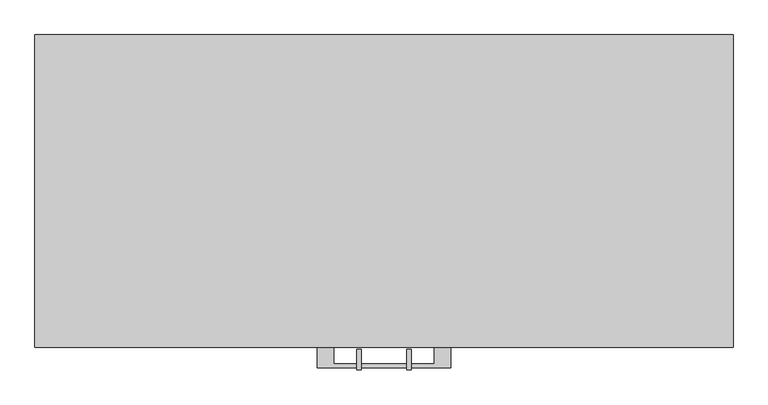
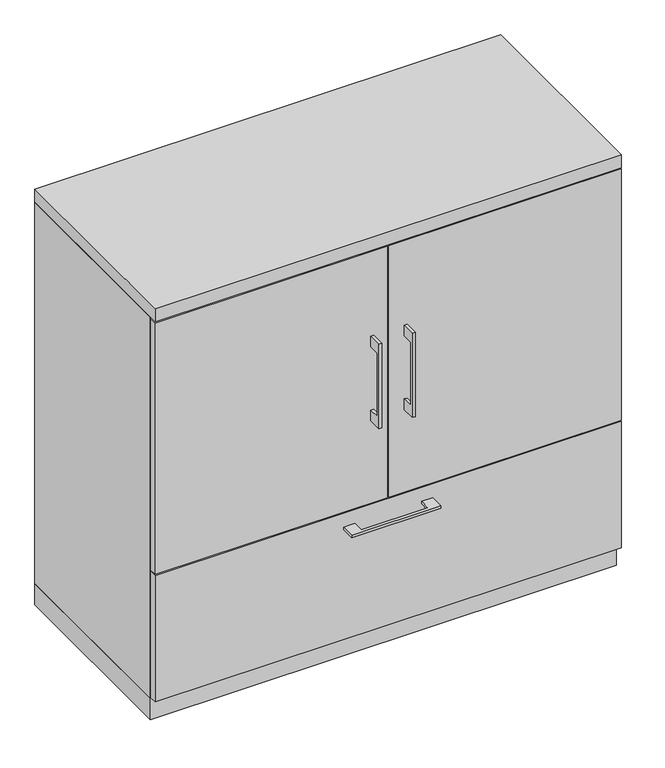
"""IFC4 building model written with IfcOpenShell, lengths in millimetres: furniture geometry."""

from ifc_helpers import new_model, si_unit, frame, origin, origin_with_axes, place, context, project, spatial, polyline, outline, extrude, source, transform, mapped, element, save


def furniture_b6af327d(model_context):
    return source(origin(), model_context, "Body", "SweptSolid", [
        extrude(outline(polyline([(-479.425, 741.3625), (-504.8249758, 741.3625), (-504.8249758, 588.9625), (-479.425, 588.9625), (-479.425, 563.5625), (-511.1749879, 563.5625), (-511.1749879, 766.7625), (-479.425, 766.7625), (-479.425, 741.3625)])), frame((-41.2749879, 0.0, 0.0), z_axis=(1.0, 0.0, 0.0), x_axis=(0.0, 1.0, 0.0)), (0.0, 0.0, 1.0), 6.3499758),
        extrude(outline(polyline([(-531.8125, -476.25), (-531.8125, -457.2), (-1.5875, -457.2), (-1.5875, -476.25), (-531.8125, -476.25)])), frame((0.0, 0.0, 361.95), z_axis=(0.0, 0.0, 1.0), x_axis=(1.0, 0.0, 0.0)), (0.0, 0.0, 1.0), 606.425),
        extrude(outline(polyline([(-479.425, 741.3625), (-504.8249758, 741.3625), (-504.8249758, 588.9625), (-479.425, 588.9625), (-479.425, 563.5625), (-511.1749879, 563.5625), (-511.1749879, 766.7625), (-479.425, 766.7625), (-479.425, 741.3625)])), frame((34.9250121, 0.0, 0.0), z_axis=(1.0, 0.0, 0.0), x_axis=(0.0, 1.0, 0.0)), (0.0, 0.0, 1.0), 6.3499758),
        extrude(outline(polyline([(531.8125, -476.25), (1.5875, -476.25), (1.5875, -457.2), (531.8125, -457.2), (531.8125, -476.25)])), frame((0.0, 0.0, 361.95), z_axis=(0.0, 0.0, 1.0), x_axis=(1.0, 0.0, 0.0)), (0.0, 0.0, 1.0), 606.425),
        extrude(outline(polyline([(512.7625, -19.05), (512.7625, -457.2), (-512.7625, -457.2), (-512.7625, -19.05), (512.7625, -19.05)])), frame((0.0, 0.0, 657.225), z_axis=(0.0, 0.0, 1.0), x_axis=(1.0, 0.0, 0.0)), (0.0, 0.0, 1.0), 19.05),
        extrude(outline(polyline([(-76.1999818, -476.25), (-76.1999818, -501.6499758), (76.2, -501.6499758), (76.2, -476.25), (101.5999939, -476.25), (101.5999939, -507.9999879), (-101.5999939, -507.9999879), (-101.5999939, -476.25), (-76.1999818, -476.25)])), frame((0.0, 0.0, 319.0875506), z_axis=(0.0, 0.0, 1.0), x_axis=(1.0, 0.0, 0.0)), (0.0, 0.0, 1.0), 6.3499758),
        extrude(outline(polyline([(531.8125, -457.2), (531.8125, -476.25), (-531.8125, -476.25), (-531.8125, -457.2), (531.8125, -457.2)])), frame((0.0, 0.0, 53.975), z_axis=(0.0, 0.0, 1.0), x_axis=(1.0, 0.0, 0.0)), (0.0, 0.0, 1.0), 304.8),
        extrude(outline(polyline([(512.7625, -19.05), (512.7625, -457.2), (-512.7625, -457.2), (-512.7625, -19.05), (512.7625, -19.05)])), frame((0.0, 0.0, 50.8), z_axis=(0.0, 0.0, 1.0), x_axis=(1.0, 0.0, 0.0)), (0.0, 0.0, 1.0), 311.15),
        extrude(outline(polyline([(-531.8125, 0.0), (531.8125, 0.0), (531.8125, -457.2), (512.7625, -457.2), (512.7625, -19.05), (-512.7625, -19.05), (-512.7625, -457.2), (-531.8125, -457.2), (-531.8125, 0.0)])), frame((0.0, 0.0, 50.8), z_axis=(0.0, 0.0, 1.0), x_axis=(1.0, 0.0, 0.0)), (0.0, 0.0, 1.0), 920.75),
        extrude(outline(polyline([(531.8125, 0.0), (531.8125, -476.25), (-531.8125, -476.25), (-531.8125, 0.0), (531.8125, 0.0)])), frame((0.0, 0.0, 971.55), z_axis=(0.0, 0.0, 1.0), x_axis=(1.0, 0.0, 0.0)), (0.0, 0.0, 1.0), 31.75),
        extrude(outline(polyline([(531.8125, 0.0), (531.8125, -457.2), (-531.8125, -457.2), (-531.8125, 0.0), (531.8125, 0.0)])), origin_with_axes(), (0.0, 0.0, 1.0), 50.8),
    ])


if __name__ == "__main__":
    model = new_model("IFC4")
    model_context = context("Model", 3, world=origin())
    ifc_project = project(units=[si_unit("LENGTHUNIT", "METRE", prefix="MILLI")], contexts=[model_context])
    site = spatial("IfcSite", under=ifc_project)
    building = spatial("IfcBuilding", under=site)
    placement = place(None, origin())
    furniture_shape = furniture_b6af327d(model_context)
    element("IfcFurniture", 1, at=placement, inside=building, context=model_context, shape_type="MappedRepresentation", body=[
        mapped(furniture_shape, transform((0.0, 0.0, 0.0), x_axis=(1.0, 0.0, 0.0), y_axis=(0.0, 1.0, 0.0), z_axis=(0.0, 0.0, 1.0))),
    ])
    save(model, "model.ifc")
